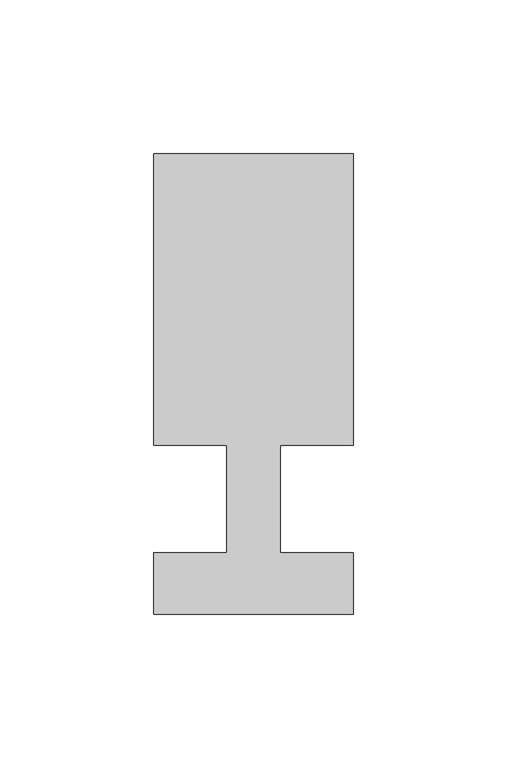
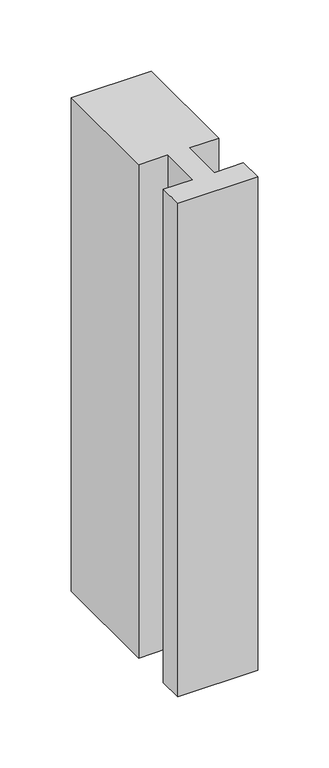
"""IFC4 building model written with IfcOpenShell, lengths in millimetres: member geometry."""

from ifc_helpers import new_model, si_unit, frame, origin, place, context, project, spatial, polyline, outline, extrude, source, transform, mapped, element, save


def member_f131003c(model_context):
    return source(origin(), model_context, "Body", "SweptSolid", [
        extrude(outline(polyline([(-65.0, -37.0), (-65.0, -17.0), (-41.1875, -17.0), (-41.1875, 18.0), (-65.0, 18.0), (-65.0, 113.0), (0.0, 113.0), (0.0, 18.0), (-23.8125, 18.0), (-23.8125, -17.0), (0.0, -17.0), (0.0, -37.0), (-65.0, -37.0)])), frame((0.0, 0.0, -423.8125), z_axis=(0.0, 0.0, 1.0), x_axis=(1.0, 0.0, 0.0)), (0.0, 0.0, 1.0), 423.8125),
    ])


if __name__ == "__main__":
    model = new_model("IFC4")
    model_context = context("Model", 3, world=origin())
    ifc_project = project(units=[si_unit("LENGTHUNIT", "METRE", prefix="MILLI")], contexts=[model_context])
    site = spatial("IfcSite", under=ifc_project)
    building = spatial("IfcBuilding", under=site)
    placement = place(None, origin())
    member_shape = member_f131003c(model_context)
    element("IfcMember", 1, at=placement, inside=building, context=model_context, shape_type="MappedRepresentation", body=[
        mapped(member_shape, transform((0.0, 0.0, 0.0), x_axis=(1.0, 0.0, 0.0), y_axis=(0.0, 1.0, 0.0), z_axis=(0.0, 0.0, 1.0))),
    ])
    save(model, "model.ifc")
